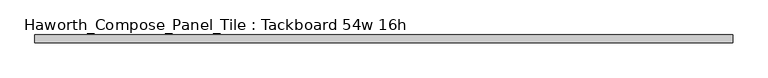
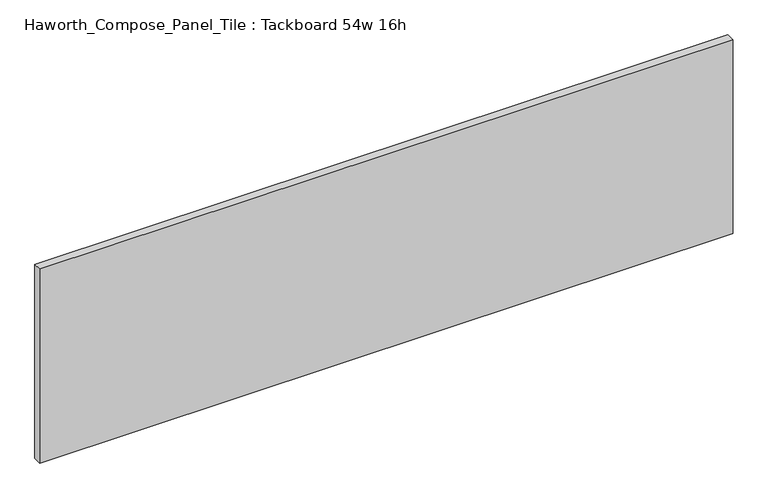
"""IFC4 building model written with IfcOpenShell, lengths in millimetres: furniture geometry, Haworth_Compose_Panel_Tile : Tackboard 54w 16h."""

from ifc_helpers import new_model, si_unit, frame, origin, place, context, project, spatial, polyline, outline, extrude, source, transform, mapped, element, save


def haworth_compose_panel_tile_tackboard_54w_16h_882a5c76(model_context):
    return source(origin(), model_context, "Body", "SweptSolid", [
        extrude(outline(polyline([(688.2402902, -28.8968594), (-683.3597098, -28.8968594), (-683.3597098, -13.0218594), (688.2402902, -13.0218594), (688.2402902, -28.8968594)])), frame((0.0, 0.0, 1066.8), z_axis=(0.0, 0.0, 1.0), x_axis=(1.0, 0.0, 0.0)), (0.0, 0.0, 1.0), 406.4),
    ])


if __name__ == "__main__":
    model = new_model("IFC4")
    model_context = context("Model", 3, world=origin())
    ifc_project = project(units=[si_unit("LENGTHUNIT", "METRE", prefix="MILLI")], contexts=[model_context])
    site = spatial("IfcSite", under=ifc_project)
    building = spatial("IfcBuilding", under=site)
    placement = place(None, origin())
    haworth_compose_panel_tile_tackboard_54w_16h_shape = haworth_compose_panel_tile_tackboard_54w_16h_882a5c76(model_context)
    element("IfcFurniture", 1, ObjectType="Haworth_Compose_Panel_Tile : Tackboard 54w 16h", at=placement, inside=building, context=model_context, shape_type="MappedRepresentation", body=[
        mapped(haworth_compose_panel_tile_tackboard_54w_16h_shape, transform((0.0, 0.0, 0.0), x_axis=(1.0, 0.0, 0.0), y_axis=(0.0, 1.0, 0.0), z_axis=(0.0, 0.0, 1.0))),
    ])
    save(model, "model.ifc")
